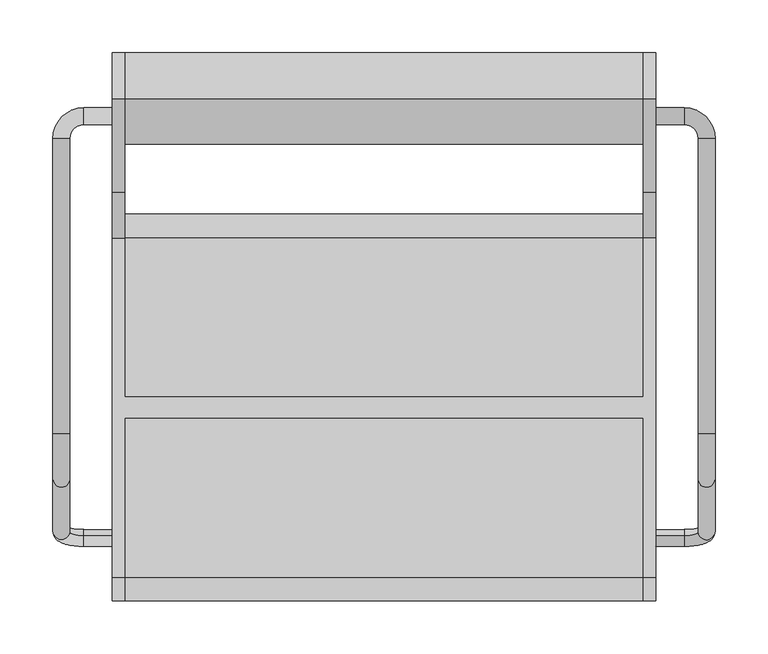
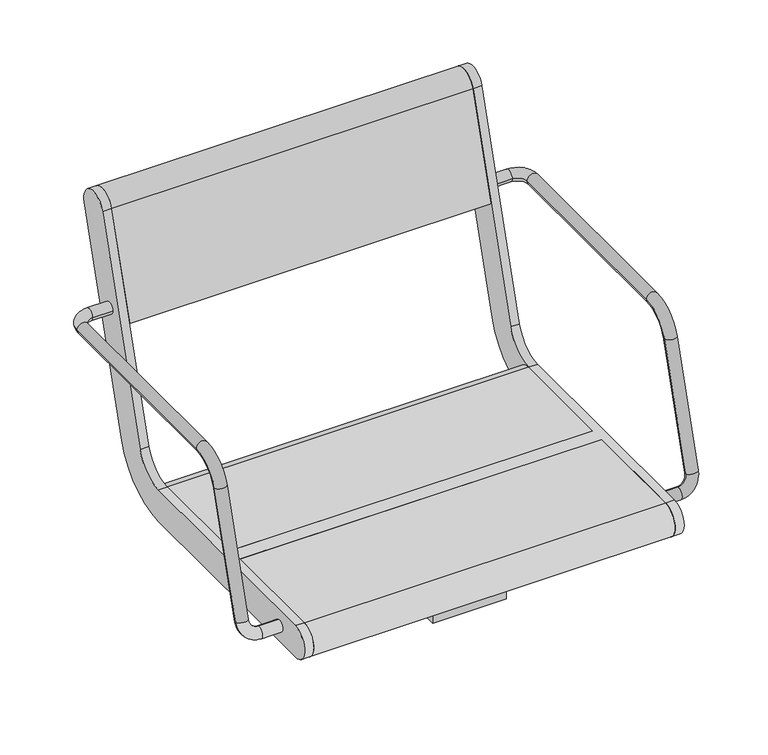
"""IFC4 building model written with IfcOpenShell, lengths in millimetres: furniture geometry."""

from ifc_helpers import new_model, si_unit, point, frame, frame_2d, origin, place, context, project, spatial, polyline, circle_curve, ellipse_curve, trimmed, segment, composite_curve, outline, extrude, source, transform, mapped, element, save
from ifc_brep_helpers import plane_surface, cylinder_surface, revolved_surface, advanced_brep


def furniture_40489070(model_context):
    return source(origin(), model_context, "Body", "SolidModel", [
        advanced_brep(
        [(-257.0, -121.6610264, 435.150438), (-257.0, -126.3389736, 419.849562), (-284.0, -126.3389736, 419.849562), (-284.0, -121.6610264, 435.150438), (-313.0, -117.8601942, 447.5823999), (-297.0, -117.8601942, 447.5823999), (-313.0, 254.0, 641.5), (-313.0, -25.2753858, 641.5), (-297.0, -25.2753858, 641.5), (-297.0, 254.0, 641.5), (-297.0, -68.3090998, 609.6567267), (-313.0, -68.3090998, 609.6567267), (-257.0, 267.0, 641.5), (-257.0, 283.0, 641.5), (-284.0, 283.0, 641.5), (-284.0, 267.0, 641.5)],
        [
            (0, 1, circle_curve(frame((-257.0, -124.0, 427.5), z_axis=(1.0, 0.0, 0.0), x_axis=(0.0, -0.2923717047227402, -0.9563047559630344)), 8.0)),
            (1, 0, circle_curve(frame((-257.0, -124.0, 427.5), z_axis=(1.0, 0.0, 0.0), x_axis=(0.0, -0.2923717047227402, -0.9563047559630344)), 8.0)),
            (1, 2),
            (2, 3, circle_curve(frame((-284.0, -124.0, 427.5), z_axis=(1.0, 0.0, 0.0), x_axis=(0.0, -0.2923717047227402, -0.9563047559630344)), 8.0)),
            (3, 0),
            (3, 2, circle_curve(frame((-284.0, -124.0, 427.5), z_axis=(1.0, 0.0, 0.0), x_axis=(0.0, -0.2923717047227402, -0.9563047559630344)), 8.0)),
            (2, 4, circle_curve(frame((-284.0, -117.8601942, 447.5823999), z_axis=(0.0, 0.9563047559630344, -0.29237170472274027), x_axis=(0.0, -0.29237170472274027, -0.9563047559630344)), 29.0)),
            (4, 5, circle_curve(frame((-305.0, -117.8601942, 447.5823999), z_axis=(0.0, -0.29237170472274027, -0.9563047559630344), x_axis=(-1.0, 0.0, 0.0)), 8.0)),
            (5, 3, circle_curve(frame((-284.0, -117.8601942, 447.5823999), z_axis=(0.0, -0.9563047559630344, 0.29237170472274027), x_axis=(0.0, -0.29237170472274027, -0.9563047559630344)), 13.0)),
            (5, 4, circle_curve(frame((-305.0, -117.8601942, 447.5823999), z_axis=(0.0, -0.29237170472274027, -0.9563047559630344), x_axis=(-1.0, 0.0, 0.0)), 8.0)),
            (6, 7),
            (7, 8, circle_curve(frame((-305.0, -25.2753858, 641.5), z_axis=(0.0, 1.0, 0.0), x_axis=(-1.0, 0.0, 0.0)), 8.0)),
            (8, 9),
            (9, 6, circle_curve(frame((-305.0, 254.0, 641.5), z_axis=(0.0, -1.0, 0.0), x_axis=(-1.0, 0.0, 0.0)), 8.0)),
            (6, 9, circle_curve(frame((-305.0, 254.0, 641.5), z_axis=(0.0, -1.0, 0.0), x_axis=(-1.0, 0.0, 0.0)), 8.0)),
            (8, 7, circle_curve(frame((-305.0, -25.2753858, 641.5), z_axis=(0.0, 1.0, 0.0), x_axis=(-1.0, 0.0, 0.0)), 8.0)),
            (10, 11, circle_curve(frame((-305.0, -68.3090998, 609.6567267), z_axis=(0.0, -0.2923717047227378, -0.9563047559630351), x_axis=(-1.0, 0.0, 0.0)), 8.0)),
            (11, 4),
            (5, 10),
            (11, 10, circle_curve(frame((-305.0, -68.3090998, 609.6567267), z_axis=(0.0, -0.2923717047227378, -0.9563047559630351), x_axis=(-1.0, 0.0, 0.0)), 8.0)),
            (7, 11, circle_curve(frame((-313.0, -25.2753858, 596.5), z_axis=(1.0, 0.0, 0.0), x_axis=(0.0, 0.0, 1.0)), 45.0)),
            (10, 8, circle_curve(frame((-297.0, -25.2753858, 596.5), z_axis=(-1.0, 0.0, 0.0), x_axis=(0.0, 0.0, 1.0)), 45.0)),
            (12, 13, circle_curve(frame((-257.0, 275.0, 641.5), z_axis=(1.0, 0.0, 0.0), x_axis=(0.0, 1.0, 0.0)), 8.0)),
            (13, 12, circle_curve(frame((-257.0, 275.0, 641.5), z_axis=(1.0, 0.0, 0.0), x_axis=(0.0, 1.0, 0.0)), 8.0)),
            (13, 14),
            (14, 15, circle_curve(frame((-284.0, 275.0, 641.5), z_axis=(1.0, 0.0, 0.0), x_axis=(0.0, 1.0, 0.0)), 8.0)),
            (15, 12),
            (15, 14, circle_curve(frame((-284.0, 275.0, 641.5), z_axis=(1.0, 0.0, 0.0), x_axis=(0.0, 1.0, 0.0)), 8.0)),
            (14, 6, circle_curve(frame((-284.0, 254.0, 641.5), z_axis=(0.0, 0.0, 1.0), x_axis=(0.0, 1.0, 0.0)), 29.0)),
            (9, 15, circle_curve(frame((-284.0, 254.0, 641.5), z_axis=(0.0, 0.0, -1.0), x_axis=(0.0, 1.0, 0.0)), 13.0)),
        ],
        [
            plane_surface(frame((-257.0, -737.469501, 615.0564486), z_axis=(1.0, 0.0, 0.0), x_axis=(0.0, 0.9563047559630344, -0.29237170472274027))),
            cylinder_surface(frame((-257.0, -124.0, 427.5), z_axis=(1.0, 0.0, 0.0), x_axis=(0.0, -0.2923717047227402, -0.9563047559630344)), 8.0),
            revolved_surface(trimmed(ellipse_curve(frame((-284.0, -124.0, 427.5), z_axis=(1.0, 0.0, 0.0), x_axis=(0.0, -0.2923717047227402, -0.9563047559630344)), 8.0, 8.0), [point((-284.0, -126.3389736, 419.849562))], [point((-284.0, -121.6610264, 435.150438))], True, "CARTESIAN"), (-284.0, -731.3296952, 635.1388485), (0.0, 0.9563047559630344, -0.29237170472274027)),
            revolved_surface(trimmed(ellipse_curve(frame((-284.0, -124.0, 427.5), z_axis=(1.0, 0.0, 0.0), x_axis=(0.0, -0.2923717047227402, -0.9563047559630344)), 8.0, 8.0), [point((-284.0, -121.6610264, 435.150438))], [point((-284.0, -126.3389736, 419.849562))], True, "CARTESIAN"), (-284.0, -731.3296952, 635.1388485), (0.0, 0.9563047559630344, -0.29237170472274027)),
            cylinder_surface(frame((-305.0, 254.0, 641.5), z_axis=(0.0, 1.0, 0.0), x_axis=(-1.0, 0.0, 0.0)), 8.0),
            cylinder_surface(frame((-305.0, -68.3090998, 609.6567267), z_axis=(0.0, 0.2923717047227378, 0.9563047559630351), x_axis=(-1.0, 0.0, 0.0)), 8.0),
            revolved_surface(trimmed(ellipse_curve(frame((-305.0, -25.2753858, 641.5), z_axis=(0.0, 1.0, 0.0), x_axis=(-1.0, 0.0, 0.0)), 8.0, 8.0), [point((-313.0, -25.2753858, 641.5))], [point((-297.0, -25.2753858, 641.5))], True, "CARTESIAN"), (0.0, -25.2753858, 596.5), (1.0, 0.0, 0.0)),
            revolved_surface(trimmed(ellipse_curve(frame((-305.0, -25.2753858, 641.5), z_axis=(0.0, 1.0, 0.0), x_axis=(-1.0, 0.0, 0.0)), 8.0, 8.0), [point((-297.0, -25.2753858, 641.5))], [point((-313.0, -25.2753858, 641.5))], True, "CARTESIAN"), (0.0, -25.2753858, 596.5), (1.0, 0.0, 0.0)),
            plane_surface(frame((-257.0, 275.0, 405.0), z_axis=(1.0, 0.0, 0.0), x_axis=(0.0, 0.0, 1.0))),
            cylinder_surface(frame((-257.0, 275.0, 641.5), z_axis=(1.0, 0.0, 0.0), x_axis=(0.0, 1.0, 0.0)), 8.0),
            revolved_surface(trimmed(ellipse_curve(frame((-284.0, 275.0, 641.5), z_axis=(1.0, 0.0, 0.0), x_axis=(0.0, 1.0, 0.0)), 8.0, 8.0), [point((-284.0, 283.0, 641.5))], [point((-284.0, 267.0, 641.5))], True, "CARTESIAN"), (-284.0, 254.0, 405.0), (0.0, 0.0, 1.0)),
            revolved_surface(trimmed(ellipse_curve(frame((-284.0, 275.0, 641.5), z_axis=(1.0, 0.0, 0.0), x_axis=(0.0, 1.0, 0.0)), 8.0, 8.0), [point((-284.0, 267.0, 641.5))], [point((-284.0, 283.0, 641.5))], True, "CARTESIAN"), (-284.0, 254.0, 405.0), (0.0, 0.0, 1.0)),
        ],
        [
            (0, [[1, 2]]),
            (1, [[-2, 3, 4, 5]]),
            (1, [[-1, -5, 6, -3]]),
            (2, [[-4, 7, 8, 9]]),
            (3, [[-6, -9, 10, -7]]),
            (4, [[11, 12, 13, 14]]),
            (4, [[-11, 15, -13, 16]]),
            (5, [[17, 18, -10, 19]]),
            (5, [[-18, 20, -19, -8]]),
            (6, [[-12, 21, -17, 22]]),
            (7, [[-16, -22, -20, -21]]),
            (8, [[23, 24]]),
            (9, [[-24, 25, 26, 27]]),
            (9, [[-23, -27, 28, -25]]),
            (10, [[-26, 29, -14, 30]]),
            (11, [[-28, -30, -15, -29]]),
        ],
    ),
        advanced_brep(
        [(297.0, 254.0, 641.5), (297.0, -25.2753858, 641.5), (313.0, -25.2753858, 641.5), (313.0, 254.0, 641.5), (313.0, -68.3090998, 609.6567267), (297.0, -68.3090998, 609.6567267), (297.0, -117.8601942, 447.5823999), (313.0, -117.8601942, 447.5823999), (257.0, 267.0, 641.5), (257.0, 283.0, 641.5), (284.0, 267.0, 641.5), (284.0, 283.0, 641.5), (257.0, -121.6610264, 435.150438), (257.0, -126.3389736, 419.849562), (284.0, -121.6610264, 435.150438), (284.0, -126.3389736, 419.849562)],
        [
            (0, 1),
            (1, 2, circle_curve(frame((305.0, -25.2753858, 641.5), z_axis=(0.0, 1.0, 0.0), x_axis=(1.0, 0.0, 0.0)), 8.0)),
            (2, 3),
            (3, 0, circle_curve(frame((305.0, 254.0, 641.5), z_axis=(0.0, -1.0, 0.0), x_axis=(1.0, 0.0, 0.0)), 8.0)),
            (0, 3, circle_curve(frame((305.0, 254.0, 641.5), z_axis=(0.0, -1.0, 0.0), x_axis=(1.0, 0.0, 0.0)), 8.0)),
            (2, 1, circle_curve(frame((305.0, -25.2753858, 641.5), z_axis=(0.0, 1.0, 0.0), x_axis=(1.0, 0.0, 0.0)), 8.0)),
            (4, 5, circle_curve(frame((305.0, -68.3090998, 609.6567267), z_axis=(0.0, -0.2923717047227378, -0.9563047559630351), x_axis=(1.0, 0.0, 0.0)), 8.0)),
            (5, 6),
            (6, 7, circle_curve(frame((305.0, -117.8601942, 447.5823999), z_axis=(0.0, 0.2923717047227378, 0.9563047559630351), x_axis=(1.0, 0.0, 0.0)), 8.0)),
            (7, 4),
            (5, 4, circle_curve(frame((305.0, -68.3090998, 609.6567267), z_axis=(0.0, -0.2923717047227378, -0.9563047559630351), x_axis=(1.0, 0.0, 0.0)), 8.0)),
            (7, 6, circle_curve(frame((305.0, -117.8601942, 447.5823999), z_axis=(0.0, 0.2923717047227378, 0.9563047559630351), x_axis=(1.0, 0.0, 0.0)), 8.0)),
            (1, 5, circle_curve(frame((297.0, -25.2753858, 596.5), z_axis=(1.0, 0.0, 0.0), x_axis=(0.0, 0.0, 1.0)), 45.0)),
            (4, 2, circle_curve(frame((313.0, -25.2753858, 596.5), z_axis=(-1.0, 0.0, 0.0), x_axis=(0.0, 0.0, 1.0)), 45.0)),
            (8, 9, circle_curve(frame((257.0, 275.0, 641.5), z_axis=(-1.0, 0.0, 0.0), x_axis=(0.0, 1.0, 0.0)), 8.0)),
            (9, 8, circle_curve(frame((257.0, 275.0, 641.5), z_axis=(-1.0, 0.0, 0.0), x_axis=(0.0, 1.0, 0.0)), 8.0)),
            (8, 10),
            (10, 11, circle_curve(frame((284.0, 275.0, 641.5), z_axis=(-1.0, 0.0, 0.0), x_axis=(0.0, 1.0, 0.0)), 8.0)),
            (11, 9),
            (11, 10, circle_curve(frame((284.0, 275.0, 641.5), z_axis=(-1.0, 0.0, 0.0), x_axis=(0.0, 1.0, 0.0)), 8.0)),
            (10, 0, circle_curve(frame((284.0, 254.0, 641.5), z_axis=(0.0, 0.0, -1.0), x_axis=(0.0, 1.0, 0.0)), 13.0)),
            (3, 11, circle_curve(frame((284.0, 254.0, 641.5), z_axis=(0.0, 0.0, 1.0), x_axis=(0.0, 1.0, 0.0)), 29.0)),
            (12, 13, circle_curve(frame((257.0, -124.0, 427.5), z_axis=(-1.0, 0.0, 0.0), x_axis=(0.0, -0.2923717047227402, -0.9563047559630344)), 8.0)),
            (13, 12, circle_curve(frame((257.0, -124.0, 427.5), z_axis=(-1.0, 0.0, 0.0), x_axis=(0.0, -0.2923717047227402, -0.9563047559630344)), 8.0)),
            (12, 14),
            (14, 15, circle_curve(frame((284.0, -124.0, 427.5), z_axis=(-1.0, 0.0, 0.0), x_axis=(0.0, -0.2923717047227402, -0.9563047559630344)), 8.0)),
            (15, 13),
            (15, 14, circle_curve(frame((284.0, -124.0, 427.5), z_axis=(-1.0, 0.0, 0.0), x_axis=(0.0, -0.2923717047227402, -0.9563047559630344)), 8.0)),
            (14, 6, circle_curve(frame((284.0, -117.8601942, 447.5823999), z_axis=(0.0, -0.9563047559630344, 0.2923717047227402), x_axis=(0.0, -0.2923717047227402, -0.9563047559630344)), 13.0)),
            (7, 15, circle_curve(frame((284.0, -117.8601942, 447.5823999), z_axis=(0.0, 0.9563047559630344, -0.2923717047227402), x_axis=(0.0, -0.2923717047227402, -0.9563047559630344)), 29.0)),
        ],
        [
            cylinder_surface(frame((305.0, 254.0, 641.5), z_axis=(0.0, 1.0, 0.0), x_axis=(1.0, 0.0, 0.0)), 8.0),
            cylinder_surface(frame((305.0, -68.3090998, 609.6567267), z_axis=(0.0, 0.2923717047227378, 0.9563047559630351), x_axis=(1.0, 0.0, 0.0)), 8.0),
            revolved_surface(trimmed(ellipse_curve(frame((305.0, -25.2753858, 641.5), z_axis=(0.0, 1.0, 0.0), x_axis=(1.0, 0.0, 0.0)), 8.0, 8.0), [point((297.0, -25.2753858, 641.5))], [point((313.0, -25.2753858, 641.5))], True, "CARTESIAN"), (0.0, -25.2753858, 596.5), (1.0, 0.0, 0.0)),
            revolved_surface(trimmed(ellipse_curve(frame((305.0, -25.2753858, 641.5), z_axis=(0.0, 1.0, 0.0), x_axis=(1.0, 0.0, 0.0)), 8.0, 8.0), [point((313.0, -25.2753858, 641.5))], [point((297.0, -25.2753858, 641.5))], True, "CARTESIAN"), (0.0, -25.2753858, 596.5), (1.0, 0.0, 0.0)),
            plane_surface(frame((257.0, 275.0, 405.0), z_axis=(-1.0, 0.0, 0.0), x_axis=(0.0, 0.0, 1.0))),
            cylinder_surface(frame((257.0, 275.0, 641.5), z_axis=(-1.0, 0.0, 0.0), x_axis=(0.0, 1.0, 0.0)), 8.0),
            revolved_surface(trimmed(ellipse_curve(frame((284.0, 275.0, 641.5), z_axis=(-1.0, 0.0, 0.0), x_axis=(0.0, 1.0, 0.0)), 8.0, 8.0), [point((284.0, 267.0, 641.5))], [point((284.0, 283.0, 641.5))], True, "CARTESIAN"), (284.0, 254.0, 405.0), (0.0, 0.0, -1.0)),
            revolved_surface(trimmed(ellipse_curve(frame((284.0, 275.0, 641.5), z_axis=(-1.0, 0.0, 0.0), x_axis=(0.0, 1.0, 0.0)), 8.0, 8.0), [point((284.0, 283.0, 641.5))], [point((284.0, 267.0, 641.5))], True, "CARTESIAN"), (284.0, 254.0, 405.0), (0.0, 0.0, -1.0)),
            plane_surface(frame((257.0, -737.469501, 615.0564486), z_axis=(-1.0, 0.0, 0.0), x_axis=(0.0, 0.9563047559630344, -0.2923717047227402))),
            cylinder_surface(frame((257.0, -124.0, 427.5), z_axis=(-1.0, 0.0, 0.0), x_axis=(0.0, -0.2923717047227402, -0.9563047559630344)), 8.0),
            revolved_surface(trimmed(ellipse_curve(frame((284.0, -124.0, 427.5), z_axis=(-1.0, 0.0, 0.0), x_axis=(0.0, -0.2923717047227402, -0.9563047559630344)), 8.0, 8.0), [point((284.0, -121.6610264, 435.150438))], [point((284.0, -126.3389736, 419.849562))], True, "CARTESIAN"), (284.0, -731.3296952, 635.1388485), (0.0, -0.9563047559630344, 0.2923717047227402)),
            revolved_surface(trimmed(ellipse_curve(frame((284.0, -124.0, 427.5), z_axis=(-1.0, 0.0, 0.0), x_axis=(0.0, -0.2923717047227402, -0.9563047559630344)), 8.0, 8.0), [point((284.0, -126.3389736, 419.849562))], [point((284.0, -121.6610264, 435.150438))], True, "CARTESIAN"), (284.0, -731.3296952, 635.1388485), (0.0, -0.9563047559630344, 0.2923717047227402)),
        ],
        [
            (0, [[1, 2, 3, 4]]),
            (0, [[-1, 5, -3, 6]]),
            (1, [[7, 8, 9, 10]]),
            (1, [[-8, 11, -10, 12]]),
            (2, [[-2, 13, -7, 14]]),
            (3, [[-6, -14, -11, -13]]),
            (4, [[15, 16]]),
            (5, [[-15, 17, 18, 19]]),
            (5, [[-16, -19, 20, -17]]),
            (6, [[-18, 21, -4, 22]]),
            (7, [[-20, -22, -5, -21]]),
            (8, [[23, 24]]),
            (9, [[-23, 25, 26, 27]]),
            (9, [[-24, -27, 28, -25]]),
            (10, [[-26, 29, -12, 30]]),
            (11, [[-28, -30, -9, -29]]),
        ],
    ),
        advanced_brep(
        [(-245.0, 291.0375971, 769.6910048), (-245.0, 203.033714, 481.8432733), (-245.0, 160.0, 450.0), (-245.0, 9.5, 450.0), (-245.0, 9.5, 405.0), (-245.0, 160.0, 405.0), (-245.0, 246.067428, 468.6865466), (-245.0, 334.0713112, 756.5342781), (-245.0, -161.0, 450.0), (-245.0, -161.0, 405.0), (-245.0, -10.5, 405.0), (-245.0, -10.5, 450.0), (-257.0, 291.0375971, 769.6910048), (-257.0, 334.0713112, 756.5342781), (-257.0, 246.067428, 468.6865466), (-257.0, 160.0, 405.0), (-257.0, -161.0, 405.0), (-257.0, -161.0, 450.0), (-257.0, 160.0, 450.0), (-257.0, 203.033714, 481.8432733), (245.0, -10.5, 450.0), (245.0, -161.0, 450.0), (257.0, -161.0, 450.0), (257.0, 160.0, 450.0), (245.0, 160.0, 450.0), (245.0, 9.5, 450.0), (245.0, 9.5, 405.0), (245.0, 160.0, 405.0), (257.0, 160.0, 405.0), (257.0, -161.0, 405.0), (245.0, -161.0, 405.0), (245.0, -10.5, 405.0), (257.0, 291.0375971, 769.6910048), (257.0, 203.033714, 481.8432733), (257.0, 246.067428, 468.6865466), (257.0, 334.0713112, 756.5342781), (245.0, 291.0375971, 769.6910048), (245.0, 334.0713112, 756.5342781), (245.0, 246.067428, 468.6865466), (245.0, 203.033714, 481.8432733)],
        [
            (0, 1),
            (1, 2, circle_curve(frame((-245.0, 160.0, 495.0), z_axis=(-1.0, 0.0, 0.0), x_axis=(0.0, -1.0, 0.0)), 45.0)),
            (2, 3),
            (3, 4),
            (4, 5),
            (5, 6, circle_curve(frame((-245.0, 160.0, 495.0), z_axis=(1.0, 0.0, 0.0), x_axis=(0.0, -1.0, 0.0)), 90.0)),
            (6, 7),
            (7, 0, circle_curve(frame((-245.0, 312.5544541, 763.1126415), z_axis=(1.0, 0.0, 0.0), x_axis=(0.0, -1.0, 0.0)), 22.5)),
            (8, 9, circle_curve(frame((-245.0, -161.0, 427.5), z_axis=(1.0, 0.0, 0.0), x_axis=(0.0, -1.0, 0.0)), 22.5)),
            (9, 10),
            (10, 11),
            (11, 8),
            (12, 13, circle_curve(frame((-257.0, 312.5544541, 763.1126415), z_axis=(-1.0, 0.0, 0.0), x_axis=(0.0, -1.0, 0.0)), 22.5)),
            (13, 14),
            (14, 15, circle_curve(frame((-257.0, 160.0, 495.0), z_axis=(-1.0, 0.0, 0.0), x_axis=(0.0, -1.0, 0.0)), 90.0)),
            (15, 16),
            (16, 17, circle_curve(frame((-257.0, -161.0, 427.5), z_axis=(-1.0, 0.0, 0.0), x_axis=(0.0, -1.0, 0.0)), 22.5)),
            (17, 18),
            (18, 19, circle_curve(frame((-257.0, 160.0, 495.0), z_axis=(1.0, 0.0, 0.0), x_axis=(0.0, -1.0, 0.0)), 45.0)),
            (19, 12),
            (0, 12),
            (19, 1),
            (18, 2),
            (17, 8),
            (11, 20),
            (20, 21),
            (21, 22),
            (22, 23),
            (23, 24),
            (24, 25),
            (25, 3),
            (15, 5),
            (4, 26),
            (26, 27),
            (27, 28),
            (28, 29),
            (29, 30),
            (30, 31),
            (31, 10),
            (9, 16),
            (14, 6),
            (13, 7),
            (31, 20),
            (25, 26),
            (32, 33),
            (33, 23, circle_curve(frame((257.0, 160.0, 495.0), z_axis=(-1.0, 0.0, 0.0), x_axis=(0.0, -1.0, 0.0)), 45.0)),
            (22, 29, circle_curve(frame((257.0, -161.0, 427.5), z_axis=(1.0, 0.0, 0.0), x_axis=(0.0, -1.0, 0.0)), 22.5)),
            (28, 34, circle_curve(frame((257.0, 160.0, 495.0), z_axis=(1.0, 0.0, 0.0), x_axis=(0.0, -1.0, 0.0)), 90.0)),
            (34, 35),
            (35, 32, circle_curve(frame((257.0, 312.5544541, 763.1126415), z_axis=(1.0, 0.0, 0.0), x_axis=(0.0, -1.0, 0.0)), 22.5)),
            (36, 37, circle_curve(frame((245.0, 312.5544541, 763.1126415), z_axis=(-1.0, 0.0, 0.0), x_axis=(0.0, -1.0, 0.0)), 22.5)),
            (37, 38),
            (38, 27, circle_curve(frame((245.0, 160.0, 495.0), z_axis=(-1.0, 0.0, 0.0), x_axis=(0.0, -1.0, 0.0)), 90.0)),
            (24, 39, circle_curve(frame((245.0, 160.0, 495.0), z_axis=(1.0, 0.0, 0.0), x_axis=(0.0, -1.0, 0.0)), 45.0)),
            (39, 36),
            (30, 21, circle_curve(frame((245.0, -161.0, 427.5), z_axis=(-1.0, 0.0, 0.0), x_axis=(0.0, -1.0, 0.0)), 22.5)),
            (32, 36),
            (39, 33),
            (38, 34),
            (37, 35),
        ],
        [
            plane_surface(frame((-245.0, 203.033714, 481.8432733), z_axis=(1.0000000000000002, 0.0, 0.0), x_axis=(0.0, -0.29237170472273394, -0.9563047559630364))),
            plane_surface(frame((-257.0, 203.033714, 481.8432733), z_axis=(-1.0000000000000002, 0.0, 0.0), x_axis=(0.0, 0.29237170472273394, 0.9563047559630364))),
            plane_surface(frame((-245.0, 291.0375971, 769.6910048), z_axis=(0.0, -0.9563047559630364, 0.29237170472273394), x_axis=(-1.0, 0.0, 0.0))),
            revolved_surface(polyline([(-257.0, 115.0, 495.0), (-245.0, 115.0, 495.0)]), (-257.0, 160.0, 495.0), (-1.0, 0.0, 0.0)),
            plane_surface(frame((-245.0, 160.0, 450.0), z_axis=(0.0, 0.0, 1.0), x_axis=(-1.0, 0.0, 0.0))),
            plane_surface(frame((-245.0, -161.0, 405.0), z_axis=(0.0, 0.0, -1.0), x_axis=(-1.0, 0.0, 0.0))),
            cylinder_surface(frame((-257.0, 160.0, 495.0), z_axis=(1.0, 0.0, 0.0), x_axis=(0.0, -1.0, 0.0)), 90.0),
            plane_surface(frame((-245.0, 246.067428, 468.6865466), z_axis=(0.0, 0.9563047559630364, -0.29237170472273366), x_axis=(-1.0, 0.0, 0.0))),
            cylinder_surface(frame((-257.0, 312.5544541, 763.1126415), z_axis=(1.0, 0.0, 0.0), x_axis=(0.0, -1.0, 0.0)), 22.5),
            cylinder_surface(frame((-257.0, -161.0, 427.5), z_axis=(1.0, 0.0, 0.0), x_axis=(0.0, -1.0, 0.0)), 22.5),
            plane_surface(frame((245.0, -10.5, 450.0), z_axis=(0.0, -1.0, 0.0), x_axis=(-1.0, 0.0, 0.0))),
            plane_surface(frame((245.0, 9.5, 405.0), z_axis=(0.0, 1.0, 0.0), x_axis=(-1.0, 0.0, 0.0))),
            plane_surface(frame((257.0, 203.033714, 481.8432733), z_axis=(1.0000000000000002, 0.0, 0.0), x_axis=(0.0, -0.29237170472273394, -0.9563047559630364))),
            plane_surface(frame((245.0, 203.033714, 481.8432733), z_axis=(-1.0000000000000002, 0.0, 0.0), x_axis=(0.0, 0.29237170472273394, 0.9563047559630364))),
            plane_surface(frame((257.0, 291.0375971, 769.6910048), z_axis=(0.0, -0.9563047559630364, 0.29237170472273394), x_axis=(-1.0, 0.0, 0.0))),
            revolved_surface(polyline([(245.0, 115.0, 495.0), (257.0, 115.0, 495.0)]), (245.0, 160.0, 495.0), (-1.0, 0.0, 0.0)),
            cylinder_surface(frame((245.0, 160.0, 495.0), z_axis=(1.0, 0.0, 0.0), x_axis=(0.0, -1.0, 0.0)), 90.0),
            plane_surface(frame((257.0, 246.067428, 468.6865466), z_axis=(0.0, 0.9563047559630364, -0.29237170472273366), x_axis=(-1.0, 0.0, 0.0))),
            cylinder_surface(frame((245.0, 312.5544541, 763.1126415), z_axis=(1.0, 0.0, 0.0), x_axis=(0.0, -1.0, 0.0)), 22.5),
            cylinder_surface(frame((245.0, -161.0, 427.5), z_axis=(1.0, 0.0, 0.0), x_axis=(0.0, -1.0, 0.0)), 22.5),
        ],
        [
            (0, [[1, 2, 3, 4, 5, 6, 7, 8]]),
            (0, [[9, 10, 11, 12]]),
            (1, [[13, 14, 15, 16, 17, 18, 19, 20]]),
            (2, [[-1, 21, -20, 22]]),
            (3, [[-2, -22, -19, 23]]),
            (4, [[-18, 24, -12, 25, 26, 27, 28, 29, 30, 31, -3, -23]]),
            (5, [[-16, 32, -5, 33, 34, 35, 36, 37, 38, 39, -10, 40]]),
            (6, [[-6, -32, -15, 41]]),
            (7, [[-7, -41, -14, 42]]),
            (8, [[-8, -42, -13, -21]]),
            (9, [[-9, -24, -17, -40]]),
            (10, [[-25, -11, -39, 43]]),
            (11, [[-31, 44, -33, -4]]),
            (12, [[45, 46, -28, 47, -36, 48, 49, 50]]),
            (13, [[51, 52, 53, -34, -44, -30, 54, 55]]),
            (13, [[56, -26, -43, -38]]),
            (14, [[-45, 57, -55, 58]]),
            (15, [[-46, -58, -54, -29]]),
            (16, [[-48, -35, -53, 59]]),
            (17, [[-49, -59, -52, 60]]),
            (18, [[-50, -60, -51, -57]]),
            (19, [[-47, -27, -56, -37]]),
        ],
    ),
        extrude(outline(composite_curve([segment(trimmed(circle_curve(frame_2d((312.5544541, 763.1126415)), 22.5), [point((291.0375971, 769.6910048))], [point((334.0713112, 756.5342781))], False, "CARTESIAN"), True, "CONTINUOUS"), segment(polyline([(334.0713112, 756.5342781), (291.5312281, 617.3919361), (248.4975141, 630.5486628), (291.0375971, 769.6910048)]), True, "CONTINUOUS")], self_intersect=False)), frame((-245.0, 0.0, 0.0), z_axis=(1.0, 0.0, 0.0), x_axis=(0.0, 1.0, 0.0)), (0.0, 0.0, 1.0), 490.0),
        extrude(outline(composite_curve([segment(polyline([(9.5, 405.0), (9.5, 450.0), (160.0, 450.0)]), True, "CONTINUOUS"), segment(trimmed(circle_curve(frame_2d((160.0, 427.5)), 22.5), [point((160.0, 450.0))], [point((160.0, 405.0))], False, "CARTESIAN"), True, "CONTINUOUS"), segment(polyline([(160.0, 405.0), (9.5, 405.0)]), True, "CONTINUOUS")], self_intersect=False)), frame((-245.0, 0.0, 0.0), z_axis=(1.0, 0.0, 0.0), x_axis=(0.0, 1.0, 0.0)), (0.0, 0.0, 1.0), 490.0),
        extrude(outline(composite_curve([segment(polyline([(-10.5, 405.0), (-161.0, 405.0)]), True, "CONTINUOUS"), segment(trimmed(circle_curve(frame_2d((-161.0, 427.5)), 22.5), [point((-161.0, 405.0))], [point((-161.0, 450.0))], False, "CARTESIAN"), True, "CONTINUOUS"), segment(polyline([(-161.0, 450.0), (-10.5, 450.0), (-10.5, 405.0)]), True, "CONTINUOUS")], self_intersect=False)), frame((-245.0, 0.0, 0.0), z_axis=(1.0, 0.0, 0.0), x_axis=(0.0, 1.0, 0.0)), (0.0, 0.0, 1.0), 490.0),
        extrude(outline(polyline([(125.0, 359.0), (-125.0, 359.0), (-125.0, 405.0), (125.0, 405.0), (125.0, 359.0)]), holes=[polyline([(-117.202041, 397.0), (-117.202041, 367.0), (117.202041, 367.0), (117.202041, 397.0), (-117.202041, 397.0)])]), frame((-50.0, 0.0, 0.0), z_axis=(1.0, 0.0, 0.0), x_axis=(0.0, 1.0, 0.0)), (0.0, 0.0, 1.0), 100.0),
    ])


if __name__ == "__main__":
    model = new_model("IFC4")
    model_context = context("Model", 3, world=origin())
    ifc_project = project(units=[si_unit("LENGTHUNIT", "METRE", prefix="MILLI")], contexts=[model_context])
    site = spatial("IfcSite", under=ifc_project)
    building = spatial("IfcBuilding", under=site)
    placement = place(None, origin())
    furniture_shape = furniture_40489070(model_context)
    element("IfcFurniture", 1, at=placement, inside=building, context=model_context, shape_type="MappedRepresentation", body=[
        mapped(furniture_shape, transform((0.0, 0.0, 0.0), x_axis=(1.0, 0.0, 0.0), y_axis=(0.0, 1.0, 0.0), z_axis=(0.0, 0.0, 1.0))),
    ])
    save(model, "model.ifc")
